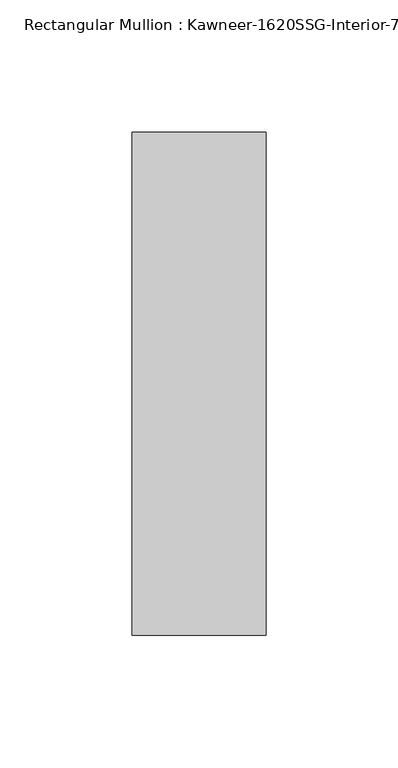
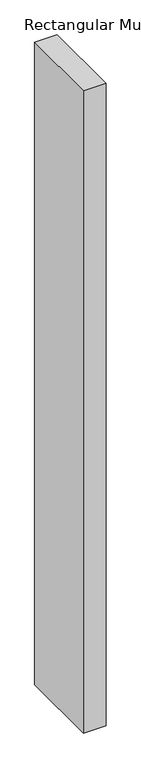
"""IFC4 building model written with IfcOpenShell, lengths in millimetres: member geometry."""

from ifc_helpers import new_model, si_unit, frame, origin, place, context, project, spatial, polyline, outline, extrude, source, transform, mapped, element, save


def member_a98a8024(model_context):
    return source(origin(), model_context, "Body", "SweptSolid", [
        extrude(outline(polyline([(25.4, -152.4), (-25.4, -152.4), (-25.4, 38.1), (25.4, 38.1), (25.4, -152.4)])), frame((0.0, 0.0, -1531.2182369), z_axis=(0.0, 0.0, 1.0), x_axis=(1.0, 0.0, 0.0)), (0.0, 0.0, 1.0), 1531.2182369),
    ])


if __name__ == "__main__":
    model = new_model("IFC4")
    model_context = context("Model", 3, world=origin())
    ifc_project = project(units=[si_unit("LENGTHUNIT", "METRE", prefix="MILLI")], contexts=[model_context])
    site = spatial("IfcSite", under=ifc_project)
    building = spatial("IfcBuilding", under=site)
    placement = place(None, origin())
    member_shape = member_a98a8024(model_context)
    element("IfcMember", 1, ObjectType="Rectangular Mullion : Kawneer-1620SSG-Interior-7.5\"-1\"Infill", at=placement, inside=building, context=model_context, shape_type="MappedRepresentation", body=[
        mapped(member_shape, transform((0.0, 0.0, 0.0), x_axis=(1.0, 0.0, 0.0), y_axis=(0.0, 1.0, 0.0), z_axis=(0.0, 0.0, 1.0))),
    ])
    save(model, "model.ifc")
